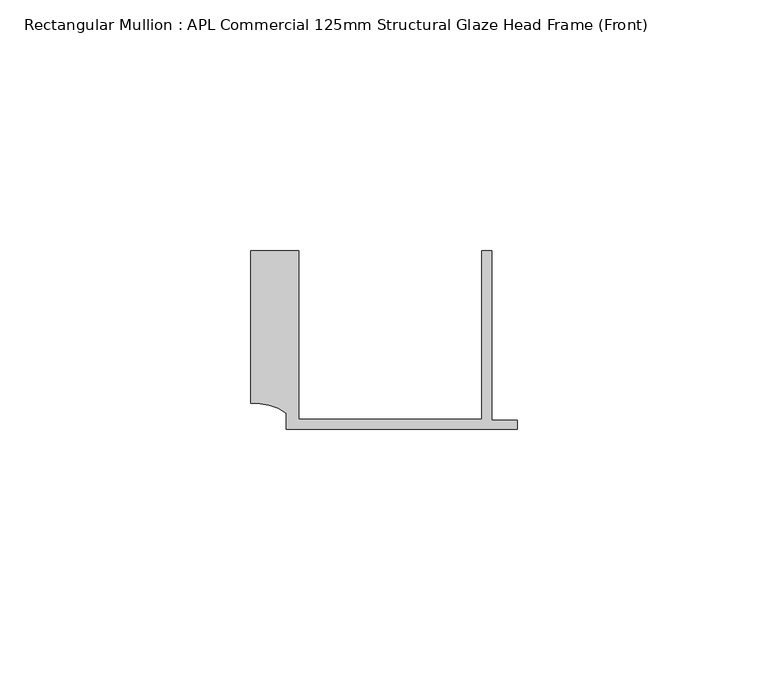
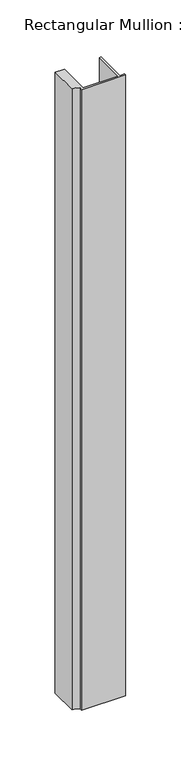
"""IFC4 building model written with IfcOpenShell, lengths in millimetres: member geometry, Rectangular Mullion : APL Commercial 125mm Structural Glaze Head Frame (Front)."""

from ifc_helpers import new_model, si_unit, point, frame, frame_2d, origin, place, context, project, spatial, polyline, circle_curve, trimmed, segment, composite_curve, outline, extrude, source, transform, mapped, element, save


def rectangular_mullion_apl_commercial_125mm_structural_glaze_eaa1deeb(model_context):
    return source(origin(), model_context, "Body", "SweptSolid", [
        extrude(outline(composite_curve([segment(polyline([(-52.9999542, 15.0), (-43.5000151, 15.0), (-43.5000151, -18.5002486), (-7.0, -18.5002486), (-7.0, 15.0), (-5.0, 15.0), (-5.0, -18.7002486), (0.0, -18.7002486), (0.0, -20.5002486), (-45.9999994, -20.5002486), (-45.9999994, -17.3126154)]), True, "CONTINUOUS"), segment(trimmed(circle_curve(frame_2d((-52.109817, -25.7982641)), 10.4563907), [point((-45.9999994, -17.3126154))], [point((-52.9999542, -15.3798304))], True, "CARTESIAN"), True, "CONTINUOUS"), segment(polyline([(-52.9999542, -15.3798304), (-52.9999542, 15.0)]), True, "CONTINUOUS")], self_intersect=False)), frame((0.0, 0.0, -684.0001522), z_axis=(0.0, 0.0, 1.0), x_axis=(1.0, 0.0, 0.0)), (0.0, 0.0, 1.0), 684.0001522),
    ])


if __name__ == "__main__":
    model = new_model("IFC4")
    model_context = context("Model", 3, world=origin())
    ifc_project = project(units=[si_unit("LENGTHUNIT", "METRE", prefix="MILLI")], contexts=[model_context])
    site = spatial("IfcSite", under=ifc_project)
    building = spatial("IfcBuilding", under=site)
    placement = place(None, origin())
    rectangular_mullion_apl_commercial_125mm_structural_glaze_shape = rectangular_mullion_apl_commercial_125mm_structural_glaze_eaa1deeb(model_context)
    element("IfcMember", 1, ObjectType="Rectangular Mullion : APL Commercial 125mm Structural Glaze Head Frame (Front)", at=placement, inside=building, context=model_context, shape_type="MappedRepresentation", body=[
        mapped(rectangular_mullion_apl_commercial_125mm_structural_glaze_shape, transform((0.0, 0.0, 0.0), x_axis=(1.0, 0.0, 0.0), y_axis=(0.0, 1.0, 0.0), z_axis=(0.0, 0.0, 1.0))),
    ])
    save(model, "model.ifc")
